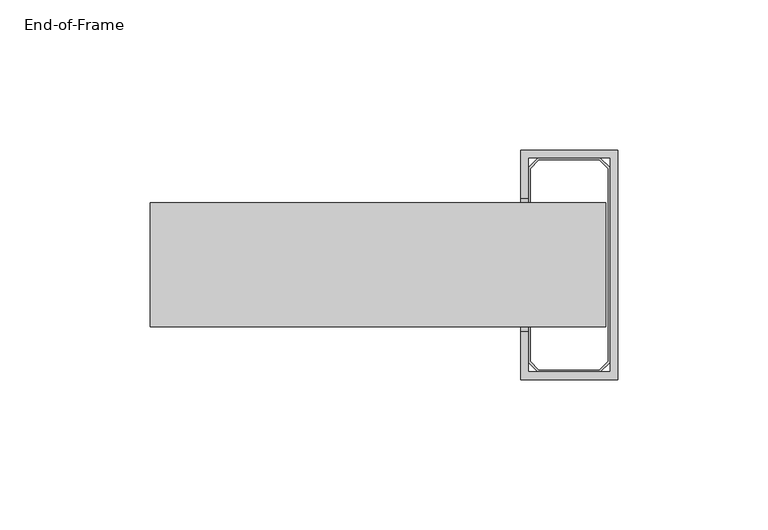
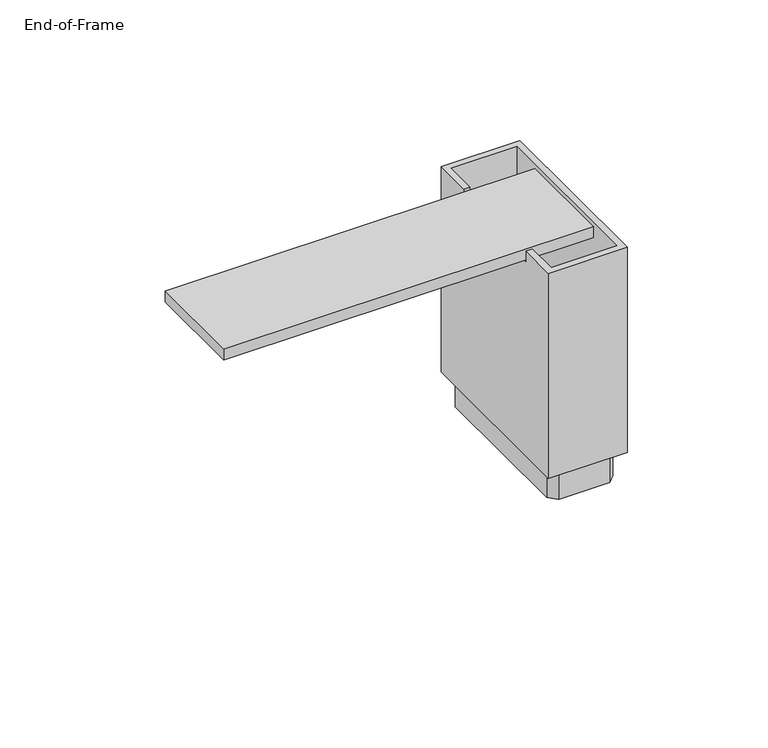
"""IFC4 building model written with IfcOpenShell, lengths in millimetres: furniture geometry, End-of-Frame."""

from ifc_helpers import new_model, si_unit, frame, origin, origin_with_axes, place, context, project, spatial, polyline, outline, extrude, faceted_brep, source, transform, mapped, element, save


def end_of_frame_207aa2ea(model_context):
    return source(origin(), model_context, "Body", "SolidModel", [
        extrude(outline(polyline([(-43.73753, 20.6375), (-43.73753, -20.6375), (-195.24345, -20.6375), (-195.24345, 20.6375), (-43.73753, 20.6375)])), frame((0.0, 0.0, 96.5962), z_axis=(0.0, 0.0, 1.0), x_axis=(1.0, 0.0, 0.0)), (0.0, 0.0, 1.0), 4.7498),
        faceted_brep([(-39.85895, 38.1, 101.6), (-72.11695, 38.1, 101.6), (-72.11695, 22.225, 101.6), (-69.57695, 22.225, 101.6), (-69.57695, 35.56, 101.6), (-42.39895, 35.56, 101.6), (-42.39895, -35.56, 101.6), (-69.57695, -35.56, 101.6), (-69.57695, -22.225, 101.6), (-72.11695, -22.225, 101.6), (-72.11695, -38.1, 101.6), (-39.85895, -38.1, 101.6), (-39.85895, 38.1, 12.7), (-39.85895, -38.1, 12.7), (-72.11695, -38.1, 12.7), (-72.11695, 38.1, 12.7), (-42.39895, 35.56, 12.7), (-69.57695, 35.56, 12.7), (-69.57695, -35.56, 12.7), (-42.39895, -35.56, 12.7), (-72.11695, -22.225, 96.5962), (-72.11695, 22.225, 96.5962), (-69.57695, 22.225, 96.5962), (-69.57695, -22.225, 96.5962)], [[[0, 1, 2, 3, 4, 5, 6, 7, 8, 9, 10, 11]], [[12, 13, 14, 15], [16, 17, 18, 19]], [[1, 0, 12, 15]], [[15, 14, 10, 9, 20, 21, 2, 1]], [[11, 10, 14, 13]], [[0, 11, 13, 12]], [[6, 5, 16, 19]], [[7, 6, 19, 18]], [[18, 17, 4, 3, 22, 23, 8, 7]], [[5, 4, 17, 16]], [[22, 21, 20, 23]], [[21, 22, 3, 2]], [[23, 20, 9, 8]]]),
        extrude(outline(polyline([(-45.57395, 35.56), (-42.39895, 32.385), (-42.39895, -32.385), (-45.57395, -35.56), (-66.40195, -35.56), (-69.57695, -32.385), (-69.57695, 32.385), (-66.40195, 35.56), (-45.57395, 35.56)]), holes=[polyline([(-43.1927, 32.056218), (-45.902732, 34.76625), (-66.073168, 34.76625), (-68.7832, 32.056218), (-68.7832, -32.056218), (-66.073168, -34.76625), (-45.902732, -34.76625), (-43.1927, -32.056218), (-43.1927, 32.056218)])]), origin_with_axes(), (0.0, 0.0, 1.0), 12.7),
    ])


if __name__ == "__main__":
    model = new_model("IFC4")
    model_context = context("Model", 3, world=origin())
    ifc_project = project(units=[si_unit("LENGTHUNIT", "METRE", prefix="MILLI")], contexts=[model_context])
    site = spatial("IfcSite", under=ifc_project)
    building = spatial("IfcBuilding", under=site)
    placement = place(None, origin())
    end_of_frame_shape = end_of_frame_207aa2ea(model_context)
    element("IfcFurniture", 1, ObjectType="End-of-Frame", at=placement, inside=building, context=model_context, shape_type="MappedRepresentation", body=[
        mapped(end_of_frame_shape, transform((0.0, 0.0, 0.0), x_axis=(1.0, 0.0, 0.0), y_axis=(0.0, 1.0, 0.0), z_axis=(0.0, 0.0, 1.0))),
    ])
    save(model, "model.ifc")
